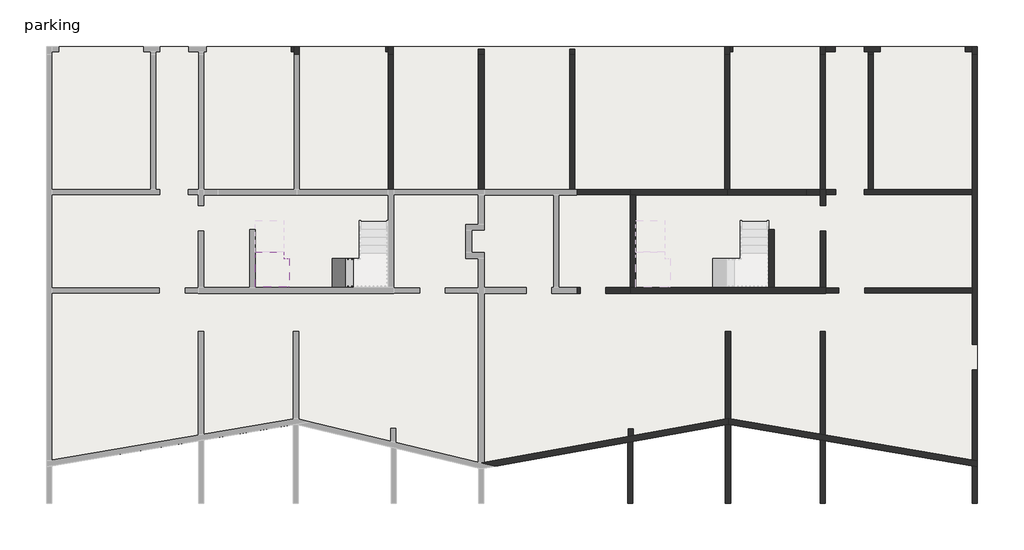
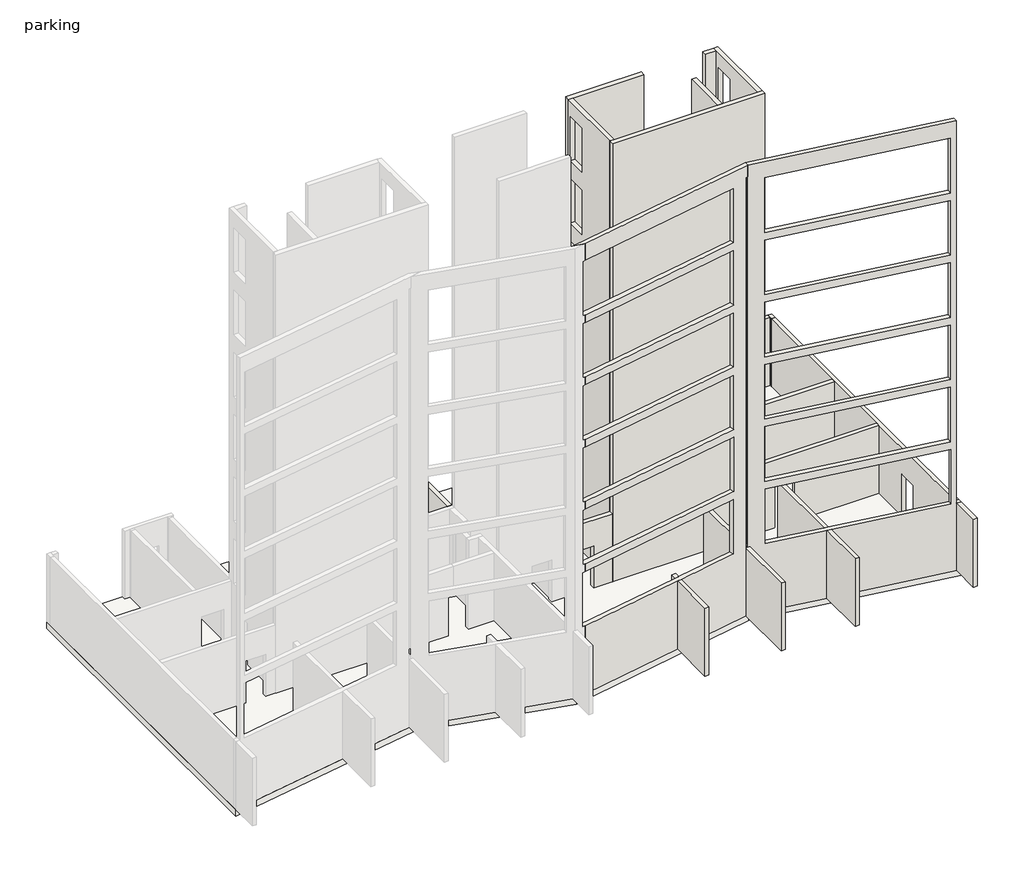
# One storey, part 2 of 4: 40 walls, 2 slabs, 1 stair flight.
"""IFC4 building model written with IfcOpenShell, lengths in millimetres."""

from ifc_helpers import new_model, si_unit, frame, origin, place, context, project, spatial, polyline, outline, extrude, faceted_brep, element, save

model = new_model("IFC4")

# Units and contexts
model_context = context("Model", 3, world=origin())
ifc_project = project(units=[si_unit("LENGTHUNIT", "METRE", prefix="MILLI")], contexts=[model_context])

# Site, building, storey
site = spatial("IfcSite", under=ifc_project)
building = spatial("IfcBuilding", under=site)
storey = spatial("IfcBuildingStorey", under=building, Name="parking", Elevation=-3230.0)

# Slabs
placement = place(None, origin())
element("IfcSlab", 1, ObjectType="300 mm Thickness", at=placement, inside=storey, context=model_context, shape_type="Brep", body=[
    faceted_brep([(-9702.8096791, 10492.190715, -713.6842105), (-9702.8096791, 11492.190715, -713.6842105), (-9793.1358019, 11492.190715, -713.6842105), (-9897.8096791, 11492.190715, -713.6842105), (-9897.8096791, 11532.5168378, -713.6842105), (-9897.8096791, 11697.190715, -713.6842105), (-9897.8096791, 11722.190715, -713.6842105), (-10897.8096791, 11722.190715, -713.6842105), (-10897.8096791, 11697.190715, -713.6842105), (-10897.8096791, 11532.5168378, -713.6842105), (-10897.8096791, 10492.190715, -713.6842105), (-9793.1358019, 10492.190715, -713.6842105), (-9702.8096791, 10492.190715, -893.4210526), (-9702.8096791, 10492.190715, -1071.6661108), (-9702.8096791, 11492.190715, -1071.6661108), (-9702.8096791, 11492.190715, -893.4210526), (-9793.1358019, 11492.190715, -1013.6842105), (-9897.8096791, 11492.190715, -1013.6842105), (-10897.8096791, 11697.190715, -907.977201), (-10897.8096791, 11532.5168378, -1013.6842105), (-10897.8096791, 10492.190715, -1013.6842105), (-9793.1358019, 10492.190715, -1013.6842105), (-9897.8096791, 11532.5168378, -1013.6842105), (-10897.8096791, 11722.190715, -891.9292687), (-9897.8096791, 11722.190715, -891.9292687), (-9897.8096791, 11697.190715, -907.977201)], [[[0, 1, 2, 3, 4, 5, 6, 7, 8, 9, 10, 11]], [[1, 0, 12, 13, 14, 15]], [[1, 15, 14, 16, 17, 3, 2]], [[8, 18, 19, 20, 10, 9]], [[13, 12, 0, 11, 10, 20, 21]], [[16, 21, 20, 19, 22, 17]], [[21, 16, 14, 13]], [[22, 19, 18, 23, 24, 25]], [[3, 17, 22, 25, 5, 4]], [[6, 5, 25, 24]], [[7, 6, 24, 23]], [[8, 7, 23, 18]]]),
])
element("IfcSlab", 2, ObjectType="300mm Foundation Slab", at=placement, inside=storey, context=model_context, shape_type="SweptSolid", body=[
    extrude(outline(polyline([(14407.1903209, 18927.190715), (14407.1903209, 4227.190715), (5732.4568928, 5706.7176496), (-2927.9273278, 4145.3896402), (-9368.5617742, 5693.5236519), (-18212.8096791, 4185.4004543), (-18212.8096791, 18927.190715), (14407.1903209, 18927.190715)])), frame((0.0, 0.0, -3530.0), z_axis=(0.0, 0.0, 1.0), x_axis=(1.0, 0.0, 0.0)), (0.0, 0.0, 1.0), 300.0),
])

# Stair flight
element("IfcStairFlight", 3, ObjectType="25 mm Nosing", at=placement, inside=storey, context=model_context, shape_type="Brep", body=[
    faceted_brep([(-7742.8096791, 10492.190715, -2151.5789474), (-7462.8096791, 10492.190715, -2151.5789474), (-7462.8096791, 11492.190715, -2151.5789474), (-7742.8096791, 11492.190715, -2151.5789474), (-7742.8096791, 10492.190715, -2329.8240055), (-7462.8096791, 10492.190715, -2509.5608476), (-7462.8096791, 10492.190715, -2331.3157895), (-7462.8096791, 11492.190715, -2509.5608476), (-7462.8096791, 11492.190715, -2331.3157895), (-7742.8096791, 11492.190715, -2329.8240055), (-8022.8096791, 10492.190715, -1971.8421053), (-7742.8096791, 10492.190715, -1971.8421053), (-7742.8096791, 11492.190715, -1971.8421053), (-8022.8096791, 11492.190715, -1971.8421053), (-8022.8096791, 10492.190715, -2150.0871634), (-8022.8096791, 11492.190715, -2150.0871634), (-8302.8096791, 10492.190715, -1792.1052632), (-8022.8096791, 10492.190715, -1792.1052632), (-8022.8096791, 11492.190715, -1792.1052632), (-8302.8096791, 11492.190715, -1792.1052632), (-8302.8096791, 10492.190715, -1970.3503213), (-8302.8096791, 11492.190715, -1970.3503213), (-8582.8096791, 10492.190715, -1612.3684211), (-8302.8096791, 10492.190715, -1612.3684211), (-8302.8096791, 11492.190715, -1612.3684211), (-8582.8096791, 11492.190715, -1612.3684211), (-8582.8096791, 10492.190715, -1790.6134792), (-8582.8096791, 11492.190715, -1790.6134792), (-8862.8096791, 10492.190715, -1432.6315789), (-8582.8096791, 10492.190715, -1432.6315789), (-8582.8096791, 11492.190715, -1432.6315789), (-8862.8096791, 11492.190715, -1432.6315789), (-8862.8096791, 10492.190715, -1610.8766371), (-8862.8096791, 11492.190715, -1610.8766371), (-9142.8096791, 10492.190715, -1252.8947368), (-8862.8096791, 10492.190715, -1252.8947368), (-8862.8096791, 11492.190715, -1252.8947368), (-9142.8096791, 11492.190715, -1252.8947368), (-9142.8096791, 10492.190715, -1431.139795), (-9142.8096791, 11492.190715, -1431.139795), (-9422.8096791, 10492.190715, -1073.1578947), (-9142.8096791, 10492.190715, -1073.1578947), (-9142.8096791, 11492.190715, -1073.1578947), (-9422.8096791, 11492.190715, -1073.1578947), (-9422.8096791, 10492.190715, -1251.4029529), (-9422.8096791, 11492.190715, -1251.4029529), (-9702.8096791, 10492.190715, -893.4210526), (-9677.8096791, 10492.190715, -893.4210526), (-9422.8096791, 10492.190715, -893.4210526), (-9422.8096791, 11492.190715, -893.4210526), (-9677.8096791, 11492.190715, -893.4210526), (-9702.8096791, 11492.190715, -893.4210526), (-9702.8096791, 10492.190715, -1071.6661108), (-9677.8096791, 10492.190715, -1087.7140431), (-9677.8096791, 11492.190715, -1087.7140431), (-9702.8096791, 11492.190715, -1071.6661108)], [[[0, 1, 2, 3]], [[1, 0, 4, 5, 6]], [[2, 1, 6, 5, 7, 8]], [[3, 2, 8, 7, 9]], [[10, 11, 12, 13]], [[11, 10, 14, 4, 0]], [[12, 11, 0, 3]], [[13, 12, 3, 9, 15]], [[16, 17, 18, 19]], [[17, 16, 20, 14, 10]], [[18, 17, 10, 13]], [[19, 18, 13, 15, 21]], [[22, 23, 24, 25]], [[23, 22, 26, 20, 16]], [[24, 23, 16, 19]], [[25, 24, 19, 21, 27]], [[28, 29, 30, 31]], [[29, 28, 32, 26, 22]], [[30, 29, 22, 25]], [[31, 30, 25, 27, 33]], [[34, 35, 36, 37]], [[35, 34, 38, 32, 28]], [[36, 35, 28, 31]], [[37, 36, 31, 33, 39]], [[40, 41, 42, 43]], [[41, 40, 44, 38, 34]], [[42, 41, 34, 37]], [[43, 42, 37, 39, 45]], [[46, 47, 48, 49, 50, 51]], [[47, 46, 52, 53]], [[49, 48, 40, 43]], [[50, 49, 43, 45, 54]], [[46, 51, 55, 52]], [[5, 4, 14, 20, 26, 32, 38, 44, 53, 52, 55, 54, 45, 39, 33, 27, 21, 15, 9, 7]], [[48, 47, 53, 44, 40]], [[51, 50, 54, 55]]]),
])

# Walls
element("IfcWall", 4, ObjectType="Generic - 180mm 2", at=placement, inside=storey, context=model_context, shape_type="SweptSolid", body=[
    extrude(outline(polyline([(2242.1903209, 13727.190715), (367.1903209, 13727.190715), (367.1903209, 13907.190715), (2242.1903209, 13907.190715), (2242.1903209, 13727.190715)])), frame((0.0, 0.0, -3230.0), z_axis=(0.0, 0.0, 1.0), x_axis=(1.0, 0.0, 0.0)), (0.0, 0.0, 1.0), 3230.0),
])
element("IfcWall", 5, ObjectType="Generic - 180mm 2", at=placement, inside=storey, context=model_context, shape_type="Brep", body=[
    faceted_brep([(10442.1903209, 13727.190715, -1230.0), (10442.1903209, 13727.190715, -3230.0), (14227.1903209, 13727.190715, -3230.0), (14227.1903209, 13727.190715, 0.0), (9092.1903209, 13727.190715, 0.0), (9092.1903209, 13727.190715, -3230.0), (9442.1903209, 13727.190715, -3230.0), (9442.1903209, 13727.190715, -1230.0), (14227.1903209, 13907.190715, -3230.0), (10762.1903209, 13907.190715, -3230.0), (10582.1903209, 13907.190715, -3230.0), (10442.1903209, 13907.190715, -3230.0), (10442.1903209, 13907.190715, -1230.0), (9442.1903209, 13907.190715, -1230.0), (9442.1903209, 13907.190715, -3230.0), (9092.1903209, 13907.190715, -3230.0), (9092.1903209, 13907.190715, 0.0), (10582.1903209, 13907.190715, 0.0), (10762.1903209, 13907.190715, 0.0), (14227.1903209, 13907.190715, 0.0)], [[[0, 1, 2, 3, 4, 5, 6, 7]], [[8, 9, 10, 11, 12, 13, 14, 15, 16, 17, 18, 19]], [[6, 5, 15, 14]], [[2, 1, 11, 10, 9, 8]], [[4, 3, 19, 18, 17, 16]], [[5, 4, 16, 15]], [[3, 2, 8, 19]], [[14, 13, 7, 6]], [[12, 11, 1, 0]], [[13, 12, 0, 7]]]),
])
element("IfcWall", 6, ObjectType="Generic - 180mm 2", at=placement, inside=storey, context=model_context, shape_type="SweptSolid", body=[
    extrude(outline(polyline([(-3230.0, 9092.1903209), (-3230.0, 9552.1903209), (-1230.0, 9552.1903209), (-1230.0, 10452.1903209), (-3230.0, 10452.1903209), (-3230.0, 14227.1903209), (0.0, 14227.1903209), (0.0, 9092.1903209), (-3230.0, 9092.1903209)])), frame((0.0, 10277.190715, 0.0), z_axis=(0.0, 1.0, 0.0), x_axis=(0.0, 0.0, 1.0)), (0.0, 0.0, 1.0), 180.0),
])
element("IfcWall", 7, ObjectType="Generic - 180mm 2", at=placement, inside=storey, context=model_context, shape_type="Brep", body=[
    faceted_brep([(14227.1903209, 18647.190715, -3230.0), (14227.1903209, 13907.190715, -3230.0), (14227.1903209, 13727.190715, -3230.0), (14227.1903209, 10457.190715, -3230.0), (14227.1903209, 10277.190715, -3230.0), (14227.1903209, 8483.190715, -3230.0), (14227.1903209, 8483.190715, -1230.0), (14227.1903209, 7583.190715, -1230.0), (14227.1903209, 7583.190715, -3230.0), (14227.1903209, 4418.1321839, -3230.0), (14227.1903209, 4418.1321839, 0.0), (14227.1903209, 10277.190715, 0.0), (14227.1903209, 10457.190715, 0.0), (14227.1903209, 13727.190715, 0.0), (14227.1903209, 13907.190715, 0.0), (14227.1903209, 18647.190715, 0.0), (14407.1903209, 8483.190715, -1230.0), (14407.1903209, 8483.190715, -3230.0), (14407.1903209, 18647.190715, -3230.0), (14407.1903209, 18647.190715, 0.0), (14407.1903209, 4387.4321226, 0.0), (14407.1903209, 4387.4321226, -3230.0), (14407.1903209, 7583.190715, -3230.0), (14407.1903209, 7583.190715, -1230.0)], [[[0, 1, 2, 3, 4, 5, 6, 7, 8, 9, 10, 11, 12, 13, 14, 15]], [[16, 17, 18, 19, 20, 21, 22, 23]], [[22, 21, 9, 8]], [[18, 17, 5, 4, 3, 2, 1, 0]], [[15, 14, 13, 12, 11, 10, 20, 19]], [[0, 15, 19, 18]], [[10, 9, 21, 20]], [[8, 7, 23, 22]], [[6, 5, 17, 16]], [[7, 6, 16, 23]]]),
])
element("IfcWall", 8, ObjectType="Generic - 180mm 2", at=placement, inside=storey, context=model_context, shape_type="SweptSolid", body=[
    extrude(outline(polyline([(10582.1903209, 13907.190715), (10582.1903209, 18647.190715), (10762.1903209, 18647.190715), (10762.1903209, 13907.190715), (10582.1903209, 13907.190715)])), frame((0.0, 0.0, -3230.0), z_axis=(0.0, 0.0, 1.0), x_axis=(1.0, 0.0, 0.0)), (0.0, 0.0, 1.0), 3230.0),
])
element("IfcWall", 9, ObjectType="Generic - 180mm 2", at=placement, inside=storey, context=model_context, shape_type="SweptSolid", body=[
    extrude(outline(polyline([(8902.1903209, 13917.190715), (8902.1903209, 18647.190715), (9082.1903209, 18647.190715), (9082.1903209, 13917.190715), (8902.1903209, 13917.190715)])), frame((0.0, 0.0, -3230.0), z_axis=(0.0, 0.0, 1.0), x_axis=(1.0, 0.0, 0.0)), (0.0, 0.0, 1.0), 3230.0),
])
element("IfcWall", 10, ObjectType="Generic - 180mm 2", at=placement, inside=storey, context=model_context, shape_type="Brep", body=[
    faceted_brep([(5547.1903209, 18647.190715, -3230.0), (5547.1903209, 13917.190715, -3230.0), (5547.1903209, 13917.190715, 0.0), (5547.1903209, 18647.190715, 0.0), (5727.1903209, 18647.190715, -3230.0), (5727.1903209, 18647.190715, 0.0), (5727.1903209, 13917.190715, 0.0), (5727.1903209, 13917.190715, -3230.0), (5637.1903209, 13917.190715, -3230.0), (5632.1903209, 13917.190715, -3230.0), (5632.1903209, 13917.190715, 0.0)], [[[0, 1, 2, 3]], [[4, 5, 6, 7]], [[1, 0, 4, 7, 8, 9]], [[3, 2, 10, 6, 5]], [[0, 3, 5, 4]], [[2, 1, 9, 8, 7, 6, 10]]]),
])
element("IfcWall", 11, ObjectType="Generic - 180mm 2", at=placement, inside=storey, context=model_context, shape_type="SweptSolid", body=[
    extrude(outline(polyline([(117.1903209, 13917.190715), (117.1903209, 18647.190715), (297.1903209, 18647.190715), (297.1903209, 13917.190715), (117.1903209, 13917.190715)])), frame((0.0, 0.0, -3230.0), z_axis=(0.0, 0.0, 1.0), x_axis=(1.0, 0.0, 0.0)), (0.0, 0.0, 1.0), 3230.0),
])
element("IfcWall", 12, ObjectType="Generic - 180mm 2", at=placement, inside=storey, context=model_context, shape_type="SweptSolid", body=[
    extrude(outline(polyline([(-6237.8096791, 13917.190715), (-6237.8096791, 18647.190715), (-6057.8096791, 18647.190715), (-6057.8096791, 13917.190715), (-6237.8096791, 13917.190715)])), frame((0.0, 0.0, -3230.0), z_axis=(0.0, 0.0, 1.0), x_axis=(1.0, 0.0, 0.0)), (0.0, 0.0, 1.0), 3230.0),
])
element("IfcWall", 13, ObjectType="Generic - 180mm 2", at=placement, inside=storey, context=model_context, shape_type="SweptSolid", body=[
    extrude(outline(polyline([(5756.7112405, 8937.190715), (5756.7112405, 5862.8223352), (5666.7112405, 5878.1723658), (5576.7112405, 5861.9468131), (5576.7112405, 8937.190715), (5756.7112405, 8937.190715)])), frame((0.0, 0.0, -3230.0), z_axis=(0.0, 0.0, 1.0), x_axis=(1.0, 0.0, 0.0)), (0.0, 0.0, 1.0), 3230.0),
])
element("IfcWall", 14, ObjectType="Generic - 180mm 2", at=placement, inside=storey, context=model_context, shape_type="SweptSolid", body=[
    extrude(outline(polyline([(8902.1903209, 5326.3423315), (8902.1903209, 8937.190715), (9082.1903209, 8937.190715), (9082.1903209, 5295.6422701), (8902.1903209, 5326.3423315)])), frame((0.0, 0.0, -3230.0), z_axis=(0.0, 0.0, 1.0), x_axis=(1.0, 0.0, 0.0)), (0.0, 0.0, 1.0), 3230.0),
])
element("IfcWall", 15, ObjectType="Generic - 180mm 2", at=placement, inside=storey, context=model_context, shape_type="SweptSolid", body=[
    extrude(outline(polyline([(2165.1903209, 5246.9044512), (2165.1903209, 5524.9044512), (2345.1903209, 5524.9044512), (2345.1903209, 5279.3555566), (2165.1903209, 5246.9044512)])), frame((0.0, 0.0, -3230.0), z_axis=(0.0, 0.0, 1.0), x_axis=(1.0, 0.0, 0.0)), (0.0, 0.0, 1.0), 3230.0),
])
element("IfcWall", 16, ObjectType="Generic - 180mm 2", at=placement, inside=storey, context=model_context, shape_type="Brep", body=[
    faceted_brep([(-9352.8096791, 18647.190715, -3230.0), (-9352.8096791, 18927.190715, -3230.0), (-9352.8096791, 18927.190715, 0.0), (-9352.8096791, 18647.190715, 0.0), (-9532.8096791, 18647.190715, -3230.0), (-9532.8096791, 18647.190715, 0.0), (-9532.8096791, 18747.190715, 0.0), (-9532.8096791, 18927.190715, 0.0), (-9532.8096791, 18927.190715, -3230.0), (-9532.8096791, 18747.190715, -3230.0)], [[[0, 1, 2, 3]], [[4, 5, 6, 7, 8, 9]], [[1, 0, 4, 9, 8]], [[3, 2, 7, 6, 5]], [[0, 3, 5, 4]], [[2, 1, 8, 7]]]),
])
element("IfcWall", 17, ObjectType="Generic - 180mm 2", at=placement, inside=storey, context=model_context, shape_type="SweptSolid", body=[
    extrude(outline(polyline([(-9630.4096791, 18927.190715), (-9532.8096791, 18927.190715), (-9532.8096791, 18747.190715), (-9630.4096791, 18747.190715), (-9630.4096791, 18927.190715)])), frame((0.0, 0.0, -3230.0), z_axis=(0.0, 0.0, 1.0), x_axis=(1.0, 0.0, 0.0)), (0.0, 0.0, 1.0), 3230.0),
])
element("IfcWall", 18, ObjectType="Generic - 180mm 2", at=placement, inside=storey, context=model_context, shape_type="Brep", body=[
    faceted_brep([(-6057.8096791, 18647.190715, -3230.0), (-6057.8096791, 18927.190715, -3230.0), (-6057.8096791, 18927.190715, 0.0), (-6057.8096791, 18647.190715, 0.0), (-6237.8096791, 18647.190715, -3230.0), (-6237.8096791, 18647.190715, 0.0), (-6237.8096791, 18747.190715, 0.0), (-6237.8096791, 18927.190715, 0.0), (-6237.8096791, 18927.190715, -3230.0), (-6237.8096791, 18747.190715, -3230.0)], [[[0, 1, 2, 3]], [[4, 5, 6, 7, 8, 9]], [[1, 0, 4, 9, 8]], [[3, 2, 7, 6, 5]], [[0, 3, 5, 4]], [[2, 1, 8, 7]]]),
])
element("IfcWall", 19, ObjectType="Generic - 180mm 2", at=placement, inside=storey, context=model_context, shape_type="SweptSolid", body=[
    extrude(outline(polyline([(-6335.4096791, 18927.190715), (-6237.8096791, 18927.190715), (-6237.8096791, 18747.190715), (-6335.4096791, 18747.190715), (-6335.4096791, 18927.190715)])), frame((0.0, 0.0, -3230.0), z_axis=(0.0, 0.0, 1.0), x_axis=(1.0, 0.0, 0.0)), (0.0, 0.0, 1.0), 3230.0),
])
element("IfcWall", 20, ObjectType="Generic - 180mm 2", at=placement, inside=storey, context=model_context, shape_type="SweptSolid", body=[
    extrude(outline(polyline([(297.1903209, 18837.190715), (297.1903209, 18647.190715), (117.1903209, 18647.190715), (117.1903209, 18837.190715), (297.1903209, 18837.190715)])), frame((0.0, 0.0, -3230.0), z_axis=(0.0, 0.0, 1.0), x_axis=(1.0, 0.0, 0.0)), (0.0, 0.0, 1.0), 3230.0),
])
element("IfcWall", 21, ObjectType="Generic - 180mm 2", at=placement, inside=storey, context=model_context, shape_type="Brep", body=[
    faceted_brep([(5727.1903209, 18647.190715, -3230.0), (5727.1903209, 18747.190715, -3230.0), (5727.1903209, 18927.190715, -3230.0), (5727.1903209, 18927.190715, 0.0), (5727.1903209, 18747.190715, 0.0), (5727.1903209, 18647.190715, 0.0), (5547.1903209, 18647.190715, -3230.0), (5547.1903209, 18647.190715, 0.0), (5547.1903209, 18927.190715, 0.0), (5547.1903209, 18927.190715, -3230.0)], [[[0, 1, 2, 3, 4, 5]], [[6, 7, 8, 9]], [[2, 1, 0, 6, 9]], [[5, 4, 3, 8, 7]], [[0, 5, 7, 6]], [[3, 2, 9, 8]]]),
])
element("IfcWall", 22, ObjectType="Generic - 180mm 2", at=placement, inside=storey, context=model_context, shape_type="SweptSolid", body=[
    extrude(outline(polyline([(5824.7903209, 18747.190715), (5727.1903209, 18747.190715), (5727.1903209, 18927.190715), (5824.7903209, 18927.190715), (5824.7903209, 18747.190715)])), frame((0.0, 0.0, -3230.0), z_axis=(0.0, 0.0, 1.0), x_axis=(1.0, 0.0, 0.0)), (0.0, 0.0, 1.0), 3230.0),
])
element("IfcWall", 23, ObjectType="Generic - 180mm 2", at=placement, inside=storey, context=model_context, shape_type="Brep", body=[
    faceted_brep([(9082.1903209, 18647.190715, -3230.0), (9082.1903209, 18747.190715, -3230.0), (9082.1903209, 18927.190715, -3230.0), (9082.1903209, 18927.190715, 0.0), (9082.1903209, 18747.190715, 0.0), (9082.1903209, 18647.190715, 0.0), (8902.1903209, 18647.190715, -3230.0), (8902.1903209, 18647.190715, 0.0), (8902.1903209, 18927.190715, 0.0), (8902.1903209, 18927.190715, -3230.0)], [[[0, 1, 2, 3, 4, 5]], [[6, 7, 8, 9]], [[2, 1, 0, 6, 9]], [[5, 4, 3, 8, 7]], [[0, 5, 7, 6]], [[3, 2, 9, 8]]]),
])
element("IfcWall", 24, ObjectType="Generic - 180mm 2", at=placement, inside=storey, context=model_context, shape_type="Brep", body=[
    faceted_brep([(10432.1903209, 18747.190715, -1230.0), (10432.1903209, 18747.190715, -3230.0), (10582.1903209, 18747.190715, -3230.0), (10762.1903209, 18747.190715, -3230.0), (11004.1903209, 18747.190715, -3230.0), (11004.1903209, 18747.190715, 0.0), (10762.1903209, 18747.190715, 0.0), (10582.1903209, 18747.190715, 0.0), (9082.1903209, 18747.190715, 0.0), (9082.1903209, 18747.190715, -3230.0), (9432.1903209, 18747.190715, -3230.0), (9432.1903209, 18747.190715, -1230.0), (11004.1903209, 18927.190715, -3230.0), (10432.1903209, 18927.190715, -3230.0), (10432.1903209, 18927.190715, -1230.0), (9432.1903209, 18927.190715, -1230.0), (9432.1903209, 18927.190715, -3230.0), (9082.1903209, 18927.190715, -3230.0), (9082.1903209, 18927.190715, 0.0), (11004.1903209, 18927.190715, 0.0)], [[[0, 1, 2, 3, 4, 5, 6, 7, 8, 9, 10, 11]], [[12, 13, 14, 15, 16, 17, 18, 19]], [[10, 9, 17, 16]], [[4, 3, 2, 1, 13, 12]], [[5, 4, 12, 19]], [[8, 7, 6, 5, 19, 18]], [[9, 8, 18, 17]], [[16, 15, 11, 10]], [[14, 13, 1, 0]], [[15, 14, 0, 11]]]),
])
element("IfcWall", 25, ObjectType="Generic - 180mm 2", at=placement, inside=storey, context=model_context, shape_type="SweptSolid", body=[
    extrude(outline(polyline([(10582.1903209, 18647.190715), (10582.1903209, 18747.190715), (10762.1903209, 18747.190715), (10762.1903209, 18647.190715), (10582.1903209, 18647.190715)])), frame((0.0, 0.0, -3230.0), z_axis=(0.0, 0.0, 1.0), x_axis=(1.0, 0.0, 0.0)), (0.0, 0.0, 1.0), 3230.0),
])
element("IfcWall", 26, ObjectType="Generic - 180mm 2", at=placement, inside=storey, context=model_context, shape_type="Brep", body=[
    faceted_brep([(14407.1903209, 18647.190715, -3230.0), (14407.1903209, 18927.190715, -3230.0), (14407.1903209, 18927.190715, 0.0), (14407.1903209, 18647.190715, 0.0), (14227.1903209, 18647.190715, -3230.0), (14227.1903209, 18647.190715, 0.0), (14227.1903209, 18747.190715, 0.0), (14227.1903209, 18927.190715, 0.0), (14227.1903209, 18927.190715, -3230.0), (14227.1903209, 18747.190715, -3230.0)], [[[0, 1, 2, 3]], [[4, 5, 6, 7, 8, 9]], [[1, 0, 4, 9, 8]], [[3, 2, 7, 6, 5]], [[0, 3, 5, 4]], [[2, 1, 8, 7]]]),
])
element("IfcWall", 27, ObjectType="Generic - 180mm 2", at=placement, inside=storey, context=model_context, shape_type="SweptSolid", body=[
    extrude(outline(polyline([(13986.1903209, 18927.190715), (14227.1903209, 18927.190715), (14227.1903209, 18747.190715), (13986.1903209, 18747.190715), (13986.1903209, 18927.190715)])), frame((0.0, 0.0, -3230.0), z_axis=(0.0, 0.0, 1.0), x_axis=(1.0, 0.0, 0.0)), (0.0, 0.0, 1.0), 3230.0),
])
element("IfcWall", 28, ObjectType="Generic - 180mm 2", at=placement, inside=storey, context=model_context, shape_type="SweptSolid", body=[
    extrude(outline(polyline([(14227.1903209, 2912.190715), (14227.1903209, 4215.244105), (14407.1903209, 4184.5440437), (14407.1903209, 2912.190715), (14227.1903209, 2912.190715)])), frame((0.0, 0.0, -3230.0), z_axis=(0.0, 0.0, 1.0), x_axis=(1.0, 0.0, 0.0)), (0.0, 0.0, 1.0), 3230.0),
])
element("IfcWall", 29, ObjectType="Generic - 180mm 2", at=placement, inside=storey, context=model_context, shape_type="SweptSolid", body=[
    extrude(outline(polyline([(8902.1903209, 2912.190715), (8902.1903209, 5123.4542526), (9082.1903209, 5092.7541913), (9082.1903209, 2912.190715), (8902.1903209, 2912.190715)])), frame((0.0, 0.0, -3230.0), z_axis=(0.0, 0.0, 1.0), x_axis=(1.0, 0.0, 0.0)), (0.0, 0.0, 1.0), 3230.0),
])
element("IfcWall", 30, ObjectType="Generic - 180mm 2", at=placement, inside=storey, context=model_context, shape_type="SweptSolid", body=[
    extrude(outline(polyline([(5577.6694013, 2912.190715), (5577.6694013, 5658.8953143), (5667.6694013, 5675.120867), (5757.6694013, 5659.7708363), (5757.6694013, 2912.190715), (5577.6694013, 2912.190715)])), frame((0.0, 0.0, -3230.0), z_axis=(0.0, 0.0, 1.0), x_axis=(1.0, 0.0, 0.0)), (0.0, 0.0, 1.0), 3230.0),
])
element("IfcWall", 31, ObjectType="Generic - 180mm 2", at=placement, inside=storey, context=model_context, shape_type="SweptSolid", body=[
    extrude(outline(polyline([(2152.1903209, 2912.190715), (2152.1903209, 5041.3365204), (2332.1903209, 5073.7876258), (2332.1903209, 2912.190715), (2152.1903209, 2912.190715)])), frame((0.0, 0.0, -3230.0), z_axis=(0.0, 0.0, 1.0), x_axis=(1.0, 0.0, 0.0)), (0.0, 0.0, 1.0), 3230.0),
])
element("IfcWall", 32, ObjectType="Generic - 200mm", at=placement, inside=storey, context=model_context, shape_type="Brep", body=[
    faceted_brep([(5637.1903209, 13917.190715, -3230.0), (5547.1903209, 13917.190715, -3230.0), (2242.1903209, 13917.190715, -3230.0), (2242.1903209, 13917.190715, 17620.0), (5537.1903209, 13917.190715, 17620.0), (5637.1903209, 13917.190715, 17620.0), (5637.1903209, 13917.190715, 2960.0), (5727.1903209, 13917.190715, 2960.0), (5727.1903209, 13917.190715, 0.0), (5637.1903209, 13917.190715, 0.0), (5637.1903209, 13717.190715, -3230.0), (5637.1903209, 13717.190715, 0.0), (5727.1903209, 13717.190715, 0.0), (5727.1903209, 13717.190715, 2960.0), (5637.1903209, 13717.190715, 2960.0), (5637.1903209, 13717.190715, 17620.0), (2442.1903209, 13717.190715, 17620.0), (2242.1903209, 13717.190715, 17620.0), (2242.1903209, 13717.190715, -3230.0), (2442.1903209, 13717.190715, -3230.0), (2242.1903209, 13727.190715, -3230.0), (2242.1903209, 13907.190715, -3230.0)], [[[0, 1, 2, 3, 4, 5, 6, 7, 8, 9]], [[10, 11, 12, 13, 14, 15, 16, 17, 18, 19]], [[2, 1, 0, 10, 19, 18, 20, 21]], [[5, 4, 3, 17, 16, 15]], [[0, 9, 11, 10]], [[8, 12, 11, 9]], [[2, 21, 20, 18, 17, 3]], [[6, 5, 15, 14]], [[6, 14, 13, 7]], [[8, 7, 13, 12]]]),
])
element("IfcWall", 33, ObjectType="Generic - 200mm", at=placement, inside=storey, context=model_context, shape_type="Brep", body=[
    faceted_brep([(9092.1903209, 10467.190715, 17620.0), (9092.1903209, 10467.190715, -3230.0), (8892.1903209, 10467.190715, -3230.0), (7292.1903209, 10467.190715, -3230.0), (7092.1903209, 10467.190715, -3230.0), (2442.1903209, 10467.190715, -3230.0), (2242.1903209, 10467.190715, -3230.0), (2242.1903209, 10467.190715, 0.0), (2242.1903209, 10467.190715, 17620.0), (2442.1903209, 10467.190715, 17620.0), (7092.1903209, 10467.190715, 17620.0), (7292.1903209, 10467.190715, 17620.0), (8892.1903209, 10467.190715, 17620.0), (9092.1903209, 10267.190715, -3230.0), (9092.1903209, 10267.190715, 17620.0), (5767.1903209, 10267.190715, 17620.0), (5567.1903209, 10267.190715, 17620.0), (2242.1903209, 10267.190715, 17620.0), (2242.1903209, 10267.190715, 0.0), (2242.1903209, 10267.190715, -3230.0), (9092.1903209, 10457.190715, -3230.0), (9092.1903209, 10277.190715, -3230.0)], [[[0, 1, 2, 3, 4, 5, 6, 7, 8, 9, 10, 11, 12]], [[13, 14, 15, 16, 17, 18, 19]], [[6, 5, 4, 3, 2, 1, 20, 21, 13, 19]], [[0, 12, 11, 10, 9, 8, 17, 16, 15, 14]], [[6, 19, 18, 17, 8, 7]], [[0, 14, 13, 21, 20, 1]]]),
])
element("IfcWall", 34, ObjectType="Generic - 200mm", at=placement, inside=storey, context=model_context, shape_type="Brep", body=[
    faceted_brep([(9092.1903209, 10467.190715, -3230.0), (9092.1903209, 12457.190715, -3230.0), (9092.1903209, 12457.190715, -1230.0), (9092.1903209, 13357.190715, -1230.0), (9092.1903209, 13357.190715, -3230.0), (9092.1903209, 13727.190715, -3230.0), (9092.1903209, 13907.190715, -3230.0), (9092.1903209, 13917.190715, -3230.0), (9092.1903209, 13917.190715, 17620.0), (9092.1903209, 10467.190715, 17620.0), (9092.1903209, 12657.190715, 2100.0), (9092.1903209, 13557.190715, 2100.0), (9092.1903209, 13557.190715, 0.0), (9092.1903209, 12657.190715, 0.0), (9092.1903209, 12657.190715, 8020.0), (9092.1903209, 13557.190715, 8020.0), (9092.1903209, 13557.190715, 5920.0), (9092.1903209, 12657.190715, 5920.0), (9092.1903209, 13557.190715, 10980.0), (9092.1903209, 13557.190715, 8880.0), (9092.1903209, 12657.190715, 8880.0), (9092.1903209, 12657.190715, 10980.0), (9092.1903209, 12657.190715, 13940.0), (9092.1903209, 13557.190715, 13940.0), (9092.1903209, 13557.190715, 11840.0), (9092.1903209, 12657.190715, 11840.0), (9092.1903209, 12657.190715, 16900.0), (9092.1903209, 13557.190715, 16900.0), (9092.1903209, 13557.190715, 14800.0), (9092.1903209, 12657.190715, 14800.0), (9092.1903209, 13557.190715, 5060.0), (9092.1903209, 13557.190715, 2960.0), (9092.1903209, 12657.190715, 2960.0), (9092.1903209, 12657.190715, 5060.0), (8892.1903209, 12457.190715, -1230.0), (8892.1903209, 12457.190715, -3230.0), (8892.1903209, 10467.190715, -3230.0), (8892.1903209, 10467.190715, 17620.0), (8892.1903209, 13717.190715, 17620.0), (8892.1903209, 13917.190715, 17620.0), (8892.1903209, 13917.190715, -3230.0), (8892.1903209, 13717.190715, -3230.0), (8892.1903209, 13357.190715, -3230.0), (8892.1903209, 13357.190715, -1230.0), (8892.1903209, 12657.190715, 2100.0), (8892.1903209, 12657.190715, 0.0), (8892.1903209, 13557.190715, 0.0), (8892.1903209, 13557.190715, 2100.0), (8892.1903209, 12657.190715, 8020.0), (8892.1903209, 12657.190715, 5920.0), (8892.1903209, 13557.190715, 5920.0), (8892.1903209, 13557.190715, 8020.0), (8892.1903209, 13557.190715, 10980.0), (8892.1903209, 12657.190715, 10980.0), (8892.1903209, 12657.190715, 8880.0), (8892.1903209, 13557.190715, 8880.0), (8892.1903209, 12657.190715, 13940.0), (8892.1903209, 12657.190715, 11840.0), (8892.1903209, 13557.190715, 11840.0), (8892.1903209, 13557.190715, 13940.0), (8892.1903209, 12657.190715, 16900.0), (8892.1903209, 12657.190715, 14800.0), (8892.1903209, 13557.190715, 14800.0), (8892.1903209, 13557.190715, 16900.0), (8892.1903209, 13557.190715, 5060.0), (8892.1903209, 12657.190715, 5060.0), (8892.1903209, 12657.190715, 2960.0), (8892.1903209, 13557.190715, 2960.0), (8902.1903209, 13917.190715, -3230.0), (9082.1903209, 13917.190715, -3230.0)], [[[0, 1, 2, 3, 4, 5, 6, 7, 8, 9], [10, 11, 12, 13], [14, 15, 16, 17], [18, 19, 20, 21], [22, 23, 24, 25], [26, 27, 28, 29], [30, 31, 32, 33]], [[34, 35, 36, 37, 38, 39, 40, 41, 42, 43], [44, 45, 46, 47], [48, 49, 50, 51], [52, 53, 54, 55], [56, 57, 58, 59], [60, 61, 62, 63], [64, 65, 66, 67]], [[36, 35, 1, 0]], [[42, 41, 40, 68, 69, 7, 6, 5, 4]], [[9, 8, 39, 38, 37]], [[45, 44, 10, 13]], [[46, 45, 13, 12]], [[47, 46, 12, 11]], [[44, 47, 11, 10]], [[49, 48, 14, 17]], [[50, 49, 17, 16]], [[51, 50, 16, 15]], [[48, 51, 15, 14]], [[19, 18, 52, 55]], [[20, 19, 55, 54]], [[21, 20, 54, 53]], [[18, 21, 53, 52]], [[57, 56, 22, 25]], [[58, 57, 25, 24]], [[59, 58, 24, 23]], [[56, 59, 23, 22]], [[61, 60, 26, 29]], [[62, 61, 29, 28]], [[63, 62, 28, 27]], [[60, 63, 27, 26]], [[9, 37, 36, 0]], [[7, 69, 68, 40, 39, 8]], [[4, 3, 43, 42]], [[2, 1, 35, 34]], [[3, 2, 34, 43]], [[31, 30, 64, 67]], [[32, 31, 67, 66]], [[33, 32, 66, 65]], [[30, 33, 65, 64]]]),
])
element("IfcWall", 35, ObjectType="Generic - 200mm", at=placement, inside=storey, context=model_context, shape_type="SweptSolid", body=[
    extrude(outline(polyline([(7292.1903209, 12512.190715), (7292.1903209, 10467.190715), (7092.1903209, 10467.190715), (7092.1903209, 12512.190715), (7292.1903209, 12512.190715)])), frame((0.0, 0.0, -3230.0), z_axis=(0.0, 0.0, 1.0), x_axis=(1.0, 0.0, 0.0)), (0.0, 0.0, 1.0), 20850.0),
])
element("IfcWall", 36, ObjectType="Generic - 200mm", at=placement, inside=storey, context=model_context, shape_type="SweptSolid", body=[
    extrude(outline(polyline([(10467.190715, -3230.0), (10467.190715, 17620.0), (13717.190715, 17620.0), (13717.190715, -3230.0), (10467.190715, -3230.0)]), holes=[polyline([(12657.190715, 2100.0), (12657.190715, 0.0), (13557.190715, 0.0), (13557.190715, 2100.0), (12657.190715, 2100.0)]), polyline([(13557.190715, 8020.0), (12657.190715, 8020.0), (12657.190715, 5920.0), (13557.190715, 5920.0), (13557.190715, 8020.0)]), polyline([(13557.190715, 10980.0), (12657.190715, 10980.0), (12657.190715, 8880.0), (13557.190715, 8880.0), (13557.190715, 10980.0)]), polyline([(13557.190715, 13940.0), (12657.190715, 13940.0), (12657.190715, 11840.0), (13557.190715, 11840.0), (13557.190715, 13940.0)]), polyline([(13557.190715, 16900.0), (12657.190715, 16900.0), (12657.190715, 14800.0), (13557.190715, 14800.0), (13557.190715, 16900.0)]), polyline([(13557.190715, 5060.0), (12657.190715, 5060.0), (12657.190715, 2960.0), (13557.190715, 2960.0), (13557.190715, 5060.0)])]), frame((2242.1903209, 0.0, 0.0), z_axis=(1.0, 0.0, 0.0), x_axis=(0.0, 1.0, 0.0)), (0.0, 0.0, 1.0), 200.0),
])
element("IfcWall", 37, ObjectType="Generic - 200mm", at=placement, inside=storey, context=model_context, shape_type="SweptSolid", body=[
    extrude(outline(polyline([(-3230.0, 8892.1903209), (17620.0, 8892.1903209), (17620.0, 8402.1903209), (2960.0, 8402.1903209), (2960.0, 8307.1903209), (0.0, 8307.1903209), (0.0, 8402.1903209), (-3230.0, 8402.1903209), (-3230.0, 8892.1903209)])), frame((0.0, 13717.190715, 0.0), z_axis=(0.0, 1.0, 0.0), x_axis=(0.0, 0.0, 1.0)), (0.0, 0.0, 1.0), 200.0),
])
element("IfcWall", 38, ObjectType="Generic - 200mm", at=placement, inside=storey, context=model_context, shape_type="SweptSolid", body=[
    extrude(outline(polyline([(0.0, 2242.1903209), (0.0, 367.1903209), (-3230.0, 367.1903209), (-3230.0, 488.1903209), (-1230.0, 488.1903209), (-1230.0, 1388.1903209), (-3230.0, 1388.1903209), (-3230.0, 2242.1903209), (0.0, 2242.1903209)])), frame((0.0, 10267.190715, 0.0), z_axis=(0.0, 1.0, 0.0), x_axis=(0.0, 0.0, 1.0)), (0.0, 0.0, 1.0), 200.0),
])
element("IfcWall", 39, ObjectType="Generic - 200mm", at=placement, inside=storey, context=model_context, shape_type="Brep", body=[
    faceted_brep([(5632.1903209, 13717.190715, -3230.0), (8402.1903209, 13717.190715, -3230.0), (8402.1903209, 13717.190715, 0.0), (8307.1903209, 13717.190715, 0.0), (5727.1903209, 13717.190715, 0.0), (5637.1903209, 13717.190715, 0.0), (5632.1903209, 13717.190715, 0.0), (5632.1903209, 13917.190715, -3230.0), (5632.1903209, 13917.190715, 0.0), (5637.1903209, 13917.190715, 0.0), (5727.1903209, 13917.190715, 0.0), (8307.1903209, 13917.190715, 0.0), (8402.1903209, 13917.190715, 0.0), (8402.1903209, 13917.190715, -3230.0), (5727.1903209, 13917.190715, -3230.0)], [[[0, 1, 2, 3, 4, 5, 6]], [[7, 8, 9, 10, 11, 12, 13, 14]], [[1, 0, 7, 14, 13]], [[2, 1, 13, 12]], [[6, 5, 4, 3, 2, 12, 11, 10, 9, 8]], [[0, 6, 8, 7]]]),
])
element("IfcWall", 40, ObjectType="Generic - 200mm", at=placement, inside=storey, context=model_context, shape_type="Brep", body=[
    faceted_brep([(-3082.8096791, 18647.190715, -3230.0), (-3082.8096791, 13907.190715, -3230.0), (-3082.8096791, 13907.190715, 0.0), (-3082.8096791, 18647.190715, 0.0), (-2882.8096791, 18647.190715, -3230.0), (-2882.8096791, 18647.190715, 0.0), (-2882.8096791, 13917.190715, 0.0), (-2882.8096791, 13907.190715, 0.0), (-2882.8096791, 13907.190715, -3230.0), (-2882.8096791, 13917.190715, -3230.0)], [[[0, 1, 2, 3]], [[4, 5, 6, 7, 8, 9]], [[1, 0, 4, 9, 8]], [[3, 2, 7, 6, 5]], [[0, 3, 5, 4]], [[2, 1, 8, 7]]]),
])
element("IfcWall", 41, ObjectType="Generic - 200mm", at=placement, inside=storey, context=model_context, shape_type="SweptSolid", body=[
    extrude(outline(polyline([(-2882.8096791, 18837.190715), (-2882.8096791, 18647.190715), (-3082.8096791, 18647.190715), (-3082.8096791, 18837.190715), (-2882.8096791, 18837.190715)])), frame((0.0, 0.0, -3230.0), z_axis=(0.0, 0.0, 1.0), x_axis=(1.0, 0.0, 0.0)), (0.0, 0.0, 1.0), 3230.0),
])
element("IfcWall", 42, ObjectType="Generic - 200mm ext", at=placement, inside=storey, context=model_context, shape_type="Brep", body=[
    faceted_brep([(-2496.7556441, 4203.2063214, -3230.0), (2152.1903209, 5041.3365204, -3230.0), (2332.1903209, 5073.7876258, -3230.0), (5577.6694013, 5658.8953143, -3230.0), (5667.6694013, 5675.120867, -3230.0), (5667.6694013, 5675.120867, 0.0), (5577.6694013, 5658.8953143, 0.0), (5567.1903209, 5657.0061046, 0.0), (5567.1903209, 5657.0061046, 17620.0), (5667.6694013, 5675.120867, 17620.0), (5667.6694013, 5675.120867, 18180.0), (-2496.7556441, 4203.2063214, 18180.0), (-2496.7556441, 4203.2063214, 17400.0), (4970.370676, 5549.4091199, 17400.0), (4970.370676, 5549.4091199, 14800.0), (-2496.7556441, 4203.2063214, 14800.0), (-2496.7556441, 4203.2063214, 14440.0), (4970.2727809, 5549.391471, 14440.0), (4970.2727809, 5549.391471, 11840.0), (-2496.7556441, 4203.2063214, 11840.0), (-2496.7556441, 4203.2063214, 11480.0), (4970.2616911, 5549.3894717, 11480.0), (4970.2616911, 5549.3894717, 8880.0), (-2496.7556441, 4203.2063214, 8880.0), (-2496.7556441, 4203.2063214, 8520.0), (4969.8016923, 5549.3065413, 8520.0), (4969.8016923, 5549.3065413, 5920.0), (-2496.7556441, 4203.2063214, 5920.0), (-2496.7556441, 4203.2063214, 5560.0), (4967.5147457, 5548.8942416, 5560.0), (4967.5147457, 5548.8942416, 2960.0), (-2496.7556441, 4203.2063214, 2960.0), (-2496.7556441, 4203.2063214, 2600.0), (4943.9290376, 5544.6421177, 2600.0), (4943.9290376, 5544.6421177, 0.0), (2332.1903209, 5073.7876258, 0.0), (2152.1903209, 5041.3365204, 0.0), (-2496.7556441, 4203.2063214, 0.0), (5666.7112405, 5878.1723658, -3230.0), (5576.7112405, 5861.9468131, -3230.0), (2345.1903209, 5279.3555566, -3230.0), (2165.1903209, 5246.9044512, -3230.0), (-2882.8096791, 4336.8312268, -3230.0), (-2979.8709257, 4319.3326449, -3230.0), (-2979.8709257, 4319.3326449, 0.0), (-2979.8709257, 4319.3326449, 17620.0), (-2979.8709257, 4319.3326449, 18180.0), (5666.7112405, 5878.1723658, 18180.0), (5666.7112405, 5878.1723658, 17620.0), (5567.1903209, 5860.2303444, 17620.0), (5567.1903209, 5860.2303444, 0.0), (5576.7112405, 5861.9468131, 0.0), (5666.7112405, 5878.1723658, 0.0), (-2674.3125557, 4374.4199054, 2600.0), (-2674.3125557, 4374.4199054, 0.0), (2165.1903209, 5246.9044512, 0.0), (2345.1903209, 5279.3555566, 0.0), (4908.4443101, 5741.4690318, 0.0), (4908.4443101, 5741.4690318, 2600.0), (-2648.439901, 4379.084329, 8520.0), (-2648.439901, 4379.084329, 5920.0), (4934.3169648, 5746.1334554, 5920.0), (4934.3169648, 5746.1334554, 8520.0), (-2647.8709173, 4379.1869076, 17400.0), (-2647.8709173, 4379.1869076, 14800.0), (4934.8859485, 5746.236034, 14800.0), (4934.8859485, 5746.236034, 17400.0), (-2647.9688124, 4379.1692587, 14440.0), (-2647.9688124, 4379.1692587, 11840.0), (4934.7880534, 5746.2183851, 11840.0), (4934.7880534, 5746.2183851, 14440.0), (-2647.9799021, 4379.1672594, 11480.0), (-2647.9799021, 4379.1672594, 8880.0), (4934.7769637, 5746.2163858, 8880.0), (4934.7769637, 5746.2163858, 11480.0), (-2650.7268476, 4378.6720293, 5560.0), (-2650.7268476, 4378.6720293, 2960.0), (4932.0300182, 5745.7211557, 2960.0), (4932.0300182, 5745.7211557, 5560.0), (-2650.0902246, 4240.0633238, 0.0), (-2650.0902246, 4240.0633238, 2600.0), (-2622.1665837, 4233.3513239, 8520.0), (-2622.1665837, 4233.3513239, 5920.0), (-2621.5524953, 4233.2037155, 17400.0), (-2621.5524953, 4233.2037155, 14800.0), (-2621.6581507, 4233.2291119, 14440.0), (-2621.6581507, 4233.2291119, 11840.0), (-2621.6701196, 4233.2319889, 11480.0), (-2621.6701196, 4233.2319889, 8880.0), (-2624.6348219, 4233.9446138, 5560.0), (-2624.6348219, 4233.9446138, 2960.0)], [[[0, 1, 2, 3, 4, 5, 6, 7, 8, 9, 10, 11, 12, 13, 14, 15, 16, 17, 18, 19, 20, 21, 22, 23, 24, 25, 26, 27, 28, 29, 30, 31, 32, 33, 34, 35, 36, 37]], [[38, 39, 40, 41, 42, 43, 44, 45, 46, 47, 48, 49, 50, 51, 52], [53, 54, 55, 56, 57, 58], [59, 60, 61, 62], [63, 64, 65, 66], [67, 68, 69, 70], [71, 72, 73, 74], [75, 76, 77, 78]], [[4, 3, 2, 1, 0, 43, 42, 41, 40, 39, 38]], [[11, 10, 47, 46]], [[79, 54, 53, 80]], [[34, 57, 56, 55, 54, 79, 37, 36, 35]], [[57, 34, 33, 58]], [[80, 53, 58, 33, 32]], [[59, 81, 82, 60]], [[60, 82, 27, 26, 61]], [[61, 26, 25, 62]], [[81, 59, 62, 25, 24]], [[63, 83, 84, 64]], [[64, 84, 15, 14, 65]], [[65, 14, 13, 66]], [[83, 63, 66, 13, 12]], [[67, 85, 86, 68]], [[68, 86, 19, 18, 69]], [[69, 18, 17, 70]], [[85, 67, 70, 17, 16]], [[71, 87, 88, 72]], [[72, 88, 23, 22, 73]], [[73, 22, 21, 74]], [[87, 71, 74, 21, 20]], [[7, 6, 5, 52, 51, 50]], [[4, 38, 52, 5]], [[75, 89, 90, 76]], [[76, 90, 31, 30, 77]], [[77, 30, 29, 78]], [[89, 75, 78, 29, 28]], [[11, 46, 45, 44, 43, 0, 37, 79, 80, 32, 31, 90, 89, 28, 27, 82, 81, 24, 23, 88, 87, 20, 19, 86, 85, 16, 15, 84, 83, 12]], [[9, 8, 49, 48]], [[7, 50, 49, 8]], [[47, 10, 9, 48]]]),
])
element("IfcWall", 43, ObjectType="Generic - 200mm ext", at=placement, inside=storey, context=model_context, shape_type="Brep", body=[
    faceted_brep([(14407.1903209, 4387.4321226, -3230.0), (14227.1903209, 4418.1321839, -3230.0), (9082.1903209, 5295.6422701, -3230.0), (8902.1903209, 5326.3423315, -3230.0), (5756.7112405, 5862.8223352, -3230.0), (5666.7112405, 5878.1723658, -3230.0), (5666.7112405, 5878.1723658, 0.0), (5756.7112405, 5862.8223352, 0.0), (5767.1903209, 5861.0350662, 0.0), (5767.1903209, 5861.0350662, 17620.0), (5666.7112405, 5878.1723658, 17620.0), (5666.7112405, 5878.1723658, 18180.0), (14217.1903209, 4419.8377429, 18180.0), (14217.1903209, 4419.8377429, 0.0), (14227.1903209, 4418.1321839, 0.0), (14407.1903209, 4387.4321226, 0.0), (6425.5621675, 5748.7458659, 2600.0), (6425.5621675, 5748.7458659, 0.0), (8902.1903209, 5326.3423315, 0.0), (9082.1903209, 5295.6422701, 0.0), (14020.882743, 4453.3191578, 0.0), (14020.882743, 4453.3191578, 2600.0), (6400.4247297, 5753.0332041, 8520.0), (6400.4247297, 5753.0332041, 5920.0), (13995.7453052, 4457.606496, 5920.0), (13995.7453052, 4457.606496, 8520.0), (6400.6321178, 5752.9978328, 11480.0), (6400.6321178, 5752.9978328, 8880.0), (13995.9526933, 4457.5711248, 8880.0), (13995.9526933, 4457.5711248, 11480.0), (6400.1548642, 5753.0792313, 14440.0), (6400.1548642, 5753.0792313, 11840.0), (13995.4754396, 4457.6525232, 11840.0), (13995.4754396, 4457.6525232, 14440.0), (13995.0862772, 4457.7188971, 17400.0), (6399.7657017, 5753.1456052, 17400.0), (6399.7657017, 5753.1456052, 14800.0), (13995.0862772, 4457.7188971, 14800.0), (6400.7059849, 5752.9852344, 5560.0), (6400.7059849, 5752.9852344, 2960.0), (13996.0265604, 4457.5585263, 2960.0), (13996.0265604, 4457.5585263, 5560.0), (14407.1903209, 4184.5440437, -3230.0), (14407.1903209, 4184.5440437, 0.0), (14227.1903209, 4215.244105, 0.0), (14217.1903209, 4216.949664, 0.0), (14217.1903209, 4216.949664, 18180.0), (5667.6694013, 5675.120867, 18180.0), (5667.6694013, 5675.120867, 17620.0), (5667.6694013, 5675.120867, 0.0), (5667.6694013, 5675.120867, -3230.0), (5757.6694013, 5659.7708363, -3230.0), (8902.1903209, 5123.4542526, -3230.0), (9082.1903209, 5092.7541913, -3230.0), (14227.1903209, 4215.244105, -3230.0), (6391.9365554, 5551.5928334, 2600.0), (13987.2571308, 4256.1661253, 2600.0), (13987.2571308, 4256.1661253, 0.0), (9082.1903209, 5092.7541913, 0.0), (8902.1903209, 5123.4542526, 0.0), (6391.9365554, 5551.5928334, 0.0), (6366.7991176, 5555.8801716, 8520.0), (13962.119693, 4260.4534636, 8520.0), (13962.119693, 4260.4534636, 5920.0), (6366.7991176, 5555.8801716, 5920.0), (6367.0065057, 5555.8448004, 11480.0), (13962.3270811, 4260.4180923, 11480.0), (13962.3270811, 4260.4180923, 8880.0), (6367.0065057, 5555.8448004, 8880.0), (6366.529252, 5555.9261988, 14440.0), (13961.8498275, 4260.4994907, 14440.0), (13961.8498275, 4260.4994907, 11840.0), (6366.529252, 5555.9261988, 11840.0), (13961.460665, 4260.5658647, 17400.0), (13961.460665, 4260.5658647, 14800.0), (6366.1400896, 5555.9925728, 14800.0), (6366.1400896, 5555.9925728, 17400.0), (6367.0803728, 5555.8322019, 5560.0), (13962.4009483, 4260.4054938, 5560.0), (13962.4009483, 4260.4054938, 2960.0), (6367.0803728, 5555.8322019, 2960.0), (5767.1903209, 5693.0628884, 0.0), (5767.1903209, 5693.0628884, 17620.0)], [[[0, 1, 2, 3, 4, 5, 6, 7, 8, 9, 10, 11, 12, 13, 14, 15], [16, 17, 18, 19, 20, 21], [22, 23, 24, 25], [26, 27, 28, 29], [30, 31, 32, 33], [34, 35, 36, 37], [38, 39, 40, 41]], [[42, 43, 44, 45, 46, 47, 48, 49, 50, 51, 52, 53, 54], [55, 56, 57, 58, 59, 60], [61, 62, 63, 64], [65, 66, 67, 68], [69, 70, 71, 72], [73, 74, 75, 76], [77, 78, 79, 80]], [[5, 4, 3, 2, 1, 0, 42, 54, 53, 52, 51, 50]], [[12, 11, 47, 46]], [[17, 16, 55, 60]], [[20, 19, 18, 17, 60, 59, 58, 57]], [[21, 20, 57, 56]], [[16, 21, 56, 55]], [[23, 22, 61, 64]], [[24, 23, 64, 63]], [[25, 24, 63, 62]], [[22, 25, 62, 61]], [[27, 26, 65, 68]], [[28, 27, 68, 67]], [[29, 28, 67, 66]], [[26, 29, 66, 65]], [[31, 30, 69, 72]], [[32, 31, 72, 71]], [[33, 32, 71, 70]], [[30, 33, 70, 69]], [[74, 73, 34, 37]], [[75, 74, 37, 36]], [[76, 75, 36, 35]], [[73, 76, 35, 34]], [[49, 81, 8, 7, 6]], [[6, 5, 50, 49]], [[81, 49, 48, 82]], [[13, 45, 44, 43, 15, 14]], [[0, 15, 43, 42]], [[13, 12, 46, 45]], [[39, 38, 77, 80]], [[40, 39, 80, 79]], [[41, 40, 79, 78]], [[38, 41, 78, 77]], [[48, 10, 9, 82]], [[9, 8, 81, 82]], [[11, 10, 48, 47]]]),
])

save(model, "model.ifc")
